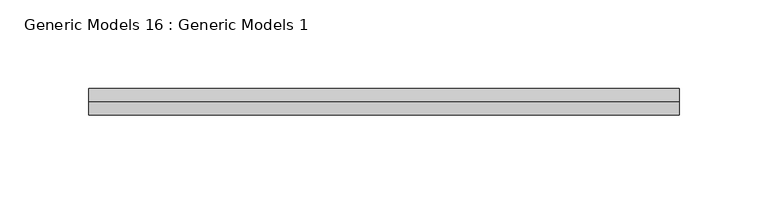
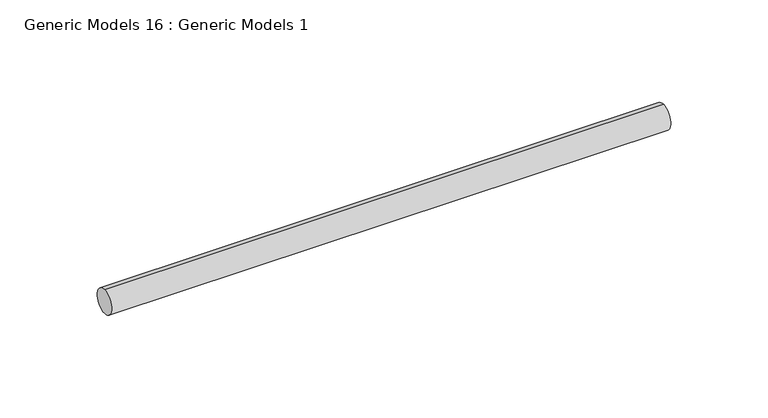
"""IFC4 building model written with IfcOpenShell, lengths in millimetres: proxy geometry, Generic Models 16 : Generic Models 1."""

from ifc_helpers import new_model, si_unit, point, frame, frame_2d, origin, place, context, project, spatial, circle_curve, trimmed, segment, composite_curve, outline, extrude, source, transform, mapped, element, save


def generic_models_16_generic_models_1_c697e734(model_context):
    return source(origin(), model_context, "Body", "SweptSolid", [
        extrude(outline(composite_curve([segment(trimmed(circle_curve(frame_2d((400.3057469, -814.107223)), 7.5), [point((400.3057469, -821.607223))], [point((400.3057469, -806.607223))], False, "CARTESIAN"), True, "CONTINUOUS"), segment(trimmed(circle_curve(frame_2d((400.3057469, -814.107223)), 7.5), [point((400.3057469, -806.607223))], [point((400.3057469, -821.607223))], False, "CARTESIAN"), True, "CONTINUOUS")], self_intersect=False)), frame((5448.4864094, 0.0, 0.0), z_axis=(1.0, 0.0, 0.0), x_axis=(0.0, 1.0, 0.0)), (0.0, 0.0, 1.0), 332.0),
    ])


if __name__ == "__main__":
    model = new_model("IFC4")
    model_context = context("Model", 3, world=origin())
    ifc_project = project(units=[si_unit("LENGTHUNIT", "METRE", prefix="MILLI")], contexts=[model_context])
    site = spatial("IfcSite", under=ifc_project)
    building = spatial("IfcBuilding", under=site)
    placement = place(None, origin())
    generic_models_16_generic_models_1_shape = generic_models_16_generic_models_1_c697e734(model_context)
    element("IfcBuildingElementProxy", 1, Name="Generic Models 16 : Generic Models 1", ObjectType="Generic Models 16 : Generic Models 1", at=placement, inside=building, context=model_context, shape_type="MappedRepresentation", body=[
        mapped(generic_models_16_generic_models_1_shape, transform((0.0, 0.0, 0.0), x_axis=(1.0, 0.0, 0.0), y_axis=(0.0, 1.0, 0.0), z_axis=(0.0, 0.0, 1.0))),
    ])
    save(model, "model.ifc")
